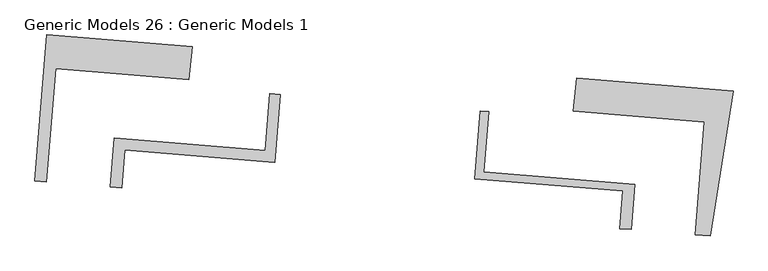
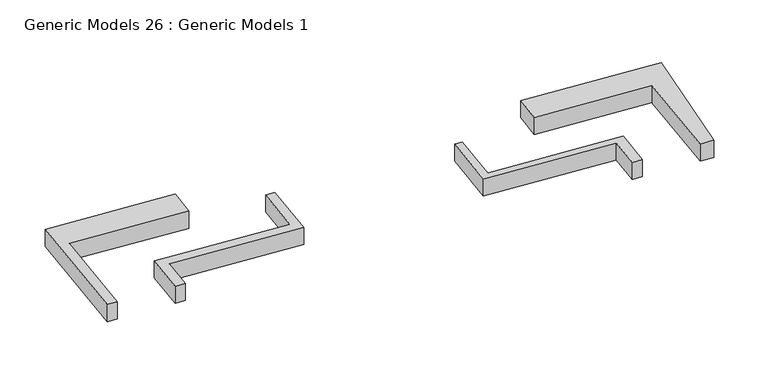
"""IFC4 building model written with IfcOpenShell, lengths in millimetres: proxy geometry, Generic Models 26 : Generic Models 1."""

from ifc_helpers import new_model, si_unit, origin, origin_with_axes, place, context, project, spatial, polyline, outline, extrude, source, transform, mapped, element, save


def generic_models_26_generic_models_1_2d90f55a(model_context):
    return source(origin(), model_context, "Body", "SweptSolid", [
        extrude(outline(polyline([(-264988.6688018, 5889.7163977), (-265079.3159624, 5020.051997), (-268596.0343267, 5308.2017554), (-268841.118526, 2317.0762045), (-269140.116515, 2341.5752372), (-268823.6452172, 6203.9433028), (-264988.6688018, 5889.7163977)])), origin_with_axes(), (0.0, 0.0, 1.0), 555.7128647),
        extrude(outline(polyline([(-267146.7965887, 2178.2483524), (-267040.5871775, 3474.4791352), (-263053.0288177, 3147.7501059), (-262930.4715724, 4643.4977252), (-262655.9914186, 4621.0076131), (-262803.0476966, 2826.2620049), (-266766.0882212, 3150.9821136), (-266847.7985997, 2153.7493197), (-267146.7965887, 2178.2483524)])), origin_with_axes(), (0.0, 0.0, 1.0), 555.7128647),
        extrude(outline(polyline([(-257150.1894625, 4169.878083), (-257280.913052, 2574.4644674), (-253293.7003686, 2247.7637618), (-253391.7434356, 1051.1989753), (-253690.7414246, 1075.698008), (-253609.0310461, 2072.9308018), (-257516.5109324, 2393.0984321), (-257369.4546544, 4187.8440403), (-257150.1894625, 4169.878083)])), origin_with_axes(), (0.0, 0.0, 1.0), 555.7128647),
        extrude(outline(polyline([(-251452.384235, 3902.9238434), (-254913.7535768, 4186.5384625), (-254823.0468169, 5056.7746563), (-250696.8002246, 4718.6819132), (-251298.0416015, 879.6470865), (-251697.4214982, 912.3711232), (-251452.384235, 3902.9238434)])), origin_with_axes(), (0.0, 0.0, 1.0), 555.7128647),
    ])


if __name__ == "__main__":
    model = new_model("IFC4")
    model_context = context("Model", 3, world=origin())
    ifc_project = project(units=[si_unit("LENGTHUNIT", "METRE", prefix="MILLI")], contexts=[model_context])
    site = spatial("IfcSite", under=ifc_project)
    building = spatial("IfcBuilding", under=site)
    placement = place(None, origin())
    generic_models_26_generic_models_1_shape = generic_models_26_generic_models_1_2d90f55a(model_context)
    element("IfcBuildingElementProxy", 1, Name="Generic Models 26 : Generic Models 1", ObjectType="Generic Models 26 : Generic Models 1", at=placement, inside=building, context=model_context, shape_type="MappedRepresentation", body=[
        mapped(generic_models_26_generic_models_1_shape, transform((0.0, 0.0, 0.0), x_axis=(1.0, 0.0, 0.0), y_axis=(0.0, 1.0, 0.0), z_axis=(0.0, 0.0, 1.0))),
    ])
    save(model, "model.ifc")
